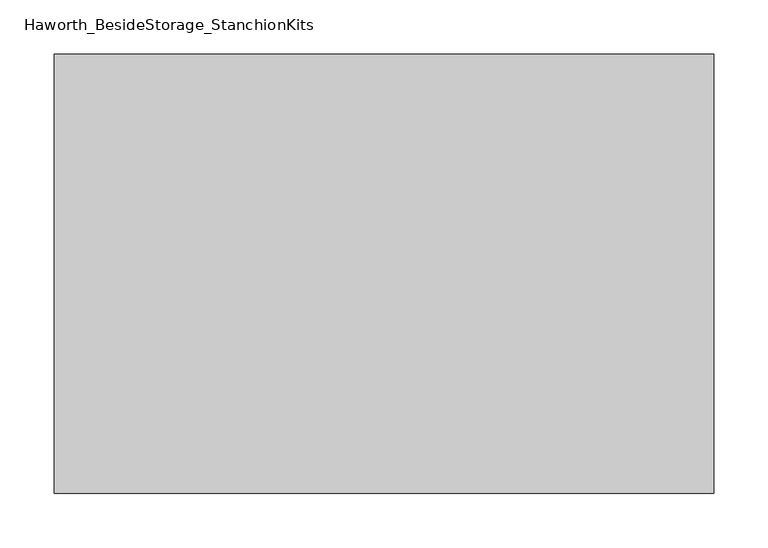
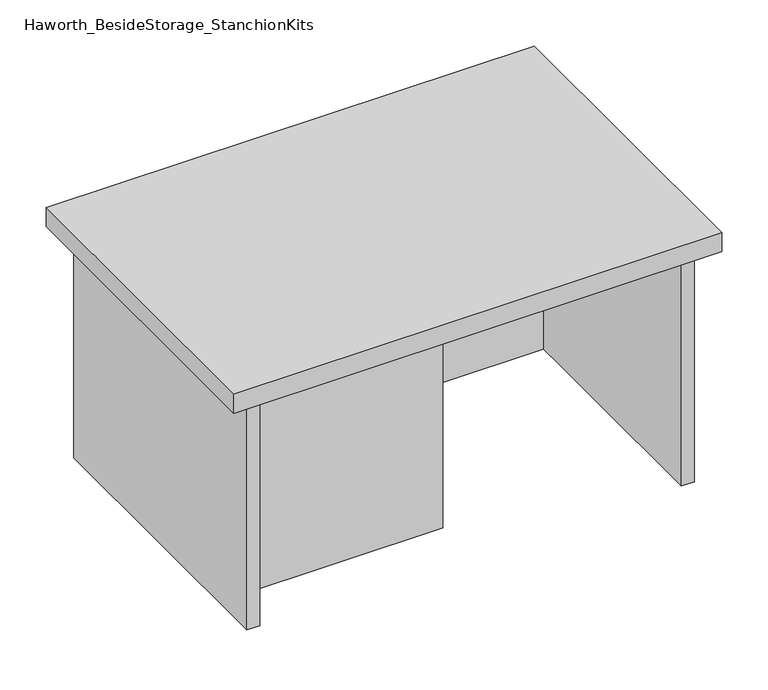
"""IFC4 building model written with IfcOpenShell, lengths in millimetres: furniture geometry, Haworth_BesideStorage_StanchionKits."""

from ifc_helpers import new_model, si_unit, frame, origin, place, context, project, spatial, polyline, outline, extrude, source, transform, mapped, element, save


def haworth_besidestorage_stanchionkits_09ffe024(model_context):
    return source(origin(), model_context, "Body", "SweptSolid", [
        extrude(outline(polyline([(466.725, 0.0), (466.725, -406.4), (-142.875, -406.4), (-142.875, 0.0), (466.725, 0.0)])), frame((0.0, 0.0, 736.6), z_axis=(0.0, 0.0, 1.0), x_axis=(1.0, 0.0, 0.0)), (0.0, 0.0, 1.0), 25.4),
        extrude(outline(polyline([(161.925, -76.2), (425.45, -76.2), (425.45, -92.075), (161.925, -92.075), (161.925, -76.2)])), frame((0.0, 0.0, 431.8), z_axis=(0.0, 0.0, 1.0), x_axis=(1.0, 0.0, 0.0)), (0.0, 0.0, 1.0), 304.8),
        extrude(outline(polyline([(161.925, -314.325), (161.925, -330.2), (-101.6, -330.2), (-101.6, -314.325), (161.925, -314.325)])), frame((0.0, 0.0, 431.8), z_axis=(0.0, 0.0, 1.0), x_axis=(1.0, 0.0, 0.0)), (0.0, 0.0, 1.0), 304.8),
        extrude(outline(polyline([(441.325, -390.525), (425.45, -390.525), (425.45, -15.875), (441.325, -15.875), (441.325, -390.525)])), frame((0.0, 0.0, 431.8), z_axis=(0.0, 0.0, 1.0), x_axis=(1.0, 0.0, 0.0)), (0.0, 0.0, 1.0), 304.8),
        extrude(outline(polyline([(-101.6, -390.525), (-117.475, -390.525), (-117.475, -15.875), (-101.6, -15.875), (-101.6, -390.525)])), frame((0.0, 0.0, 431.8), z_axis=(0.0, 0.0, 1.0), x_axis=(1.0, 0.0, 0.0)), (0.0, 0.0, 1.0), 304.8),
    ])


if __name__ == "__main__":
    model = new_model("IFC4")
    model_context = context("Model", 3, world=origin())
    ifc_project = project(units=[si_unit("LENGTHUNIT", "METRE", prefix="MILLI")], contexts=[model_context])
    site = spatial("IfcSite", under=ifc_project)
    building = spatial("IfcBuilding", under=site)
    placement = place(None, origin())
    haworth_besidestorage_stanchionkits_shape = haworth_besidestorage_stanchionkits_09ffe024(model_context)
    element("IfcFurniture", 1, ObjectType="Haworth_BesideStorage_StanchionKits", at=placement, inside=building, context=model_context, shape_type="MappedRepresentation", body=[
        mapped(haworth_besidestorage_stanchionkits_shape, transform((0.0, 0.0, 0.0), x_axis=(1.0, 0.0, 0.0), y_axis=(0.0, 1.0, 0.0), z_axis=(0.0, 0.0, 1.0))),
    ])
    save(model, "model.ifc")
